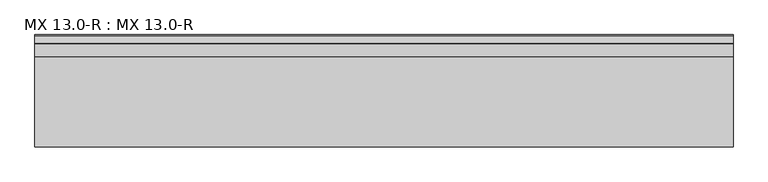
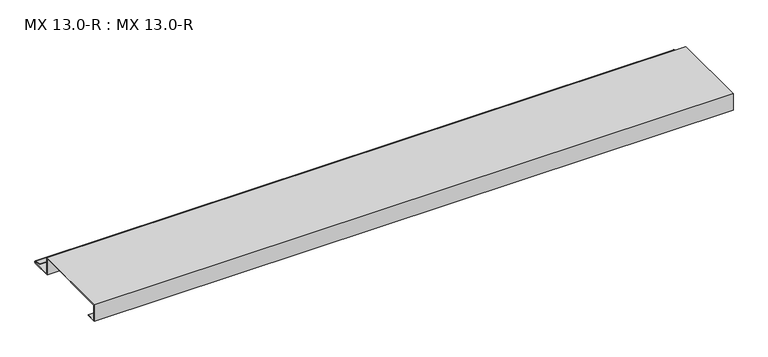
"""IFC4 building model written with IfcOpenShell, lengths in millimetres: proxy geometry, MX 13.0-R : MX 13.0-R."""

from ifc_helpers import new_model, si_unit, point, frame, frame_2d, origin, place, context, project, spatial, polyline, circle_curve, trimmed, segment, composite_curve, outline, extrude, source, transform, mapped, element, save


def mx_13_0_r_mx_13_0_r_b446a269(model_context):
    return source(origin(), model_context, "Body", "SweptSolid", [
        extrude(outline(composite_curve([segment(trimmed(circle_curve(frame_2d((221.9700946, 2.4250114)), 3.0330113), [point((223.163909, 5.2131944))], [point((222.7722576, -0.5))], False, "CARTESIAN"), True, "CONTINUOUS"), segment(polyline([(222.7722576, -0.5), (179.0, -0.5), (179.0, 37.5), (1.0, 37.5), (1.0, 1.5), (22.6594094, 1.5), (22.6594094, 0.5), (0.0, 0.5), (0.0, 38.5), (180.0, 38.5), (180.0, 0.5), (222.6594094, 0.5)]), True, "CONTINUOUS"), segment(trimmed(circle_curve(frame_2d((221.9419644, 2.4200087)), 2.0496733), [point((222.6594094, 0.5))], [point((222.807341, 4.278041))], True, "CARTESIAN"), True, "CONTINUOUS"), segment(polyline([(222.807341, 4.278041), (207.1307182, 7.2866995), (207.4140687, 8.2359048), (223.163909, 5.2131944)]), True, "CONTINUOUS")], self_intersect=False)), frame((0.0, 0.0, 0.0), z_axis=(1.0, 0.0, 0.0), x_axis=(0.0, 1.0, 0.0)), (0.0, 0.0, 1.0), 1400.0),
    ])


if __name__ == "__main__":
    model = new_model("IFC4")
    model_context = context("Model", 3, world=origin())
    ifc_project = project(units=[si_unit("LENGTHUNIT", "METRE", prefix="MILLI")], contexts=[model_context])
    site = spatial("IfcSite", under=ifc_project)
    building = spatial("IfcBuilding", under=site)
    placement = place(None, origin())
    mx_13_0_r_mx_13_0_r_shape = mx_13_0_r_mx_13_0_r_b446a269(model_context)
    element("IfcBuildingElementProxy", 1, Name="MX 13.0-R : MX 13.0-R", ObjectType="MX 13.0-R : MX 13.0-R", at=placement, inside=building, context=model_context, shape_type="MappedRepresentation", body=[
        mapped(mx_13_0_r_mx_13_0_r_shape, transform((0.0, 0.0, 0.0), x_axis=(1.0, 0.0, 0.0), y_axis=(0.0, 1.0, 0.0), z_axis=(0.0, 0.0, 1.0))),
    ])
    save(model, "model.ifc")
